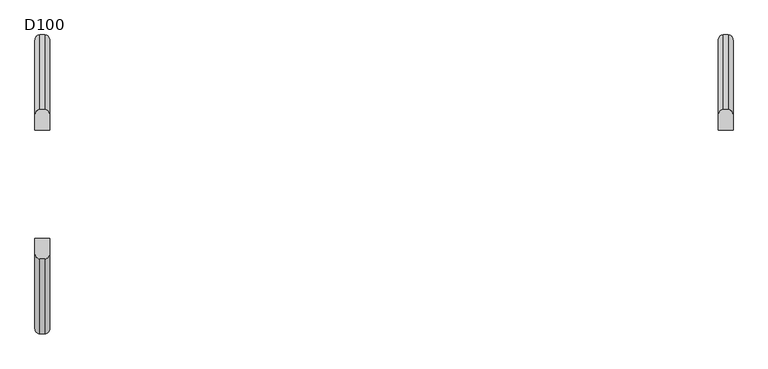
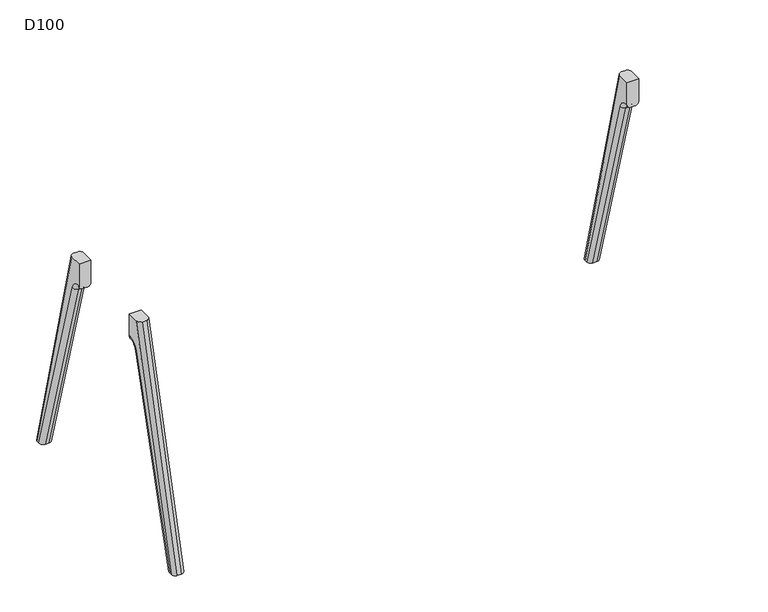
"""IFC4 building model written with IfcOpenShell, lengths in millimetres: furniture geometry, D100."""

from ifc_helpers import new_model, si_unit, point, frame, origin, place, context, project, spatial, polyline, circle_curve, ellipse_curve, trimmed, source, transform, mapped, element, save
from ifc_brep_helpers import plane_surface, cylinder_surface, revolved_surface, advanced_brep


def d100_23ebdb1c(model_context):
    return source(origin(), model_context, "Body", "AdvancedBrep", [
        advanced_brep(
        [(-1070.0, 165.2234902, 880.0006338), (-1070.0, 211.7278851, 880.0006338), (-1070.0, 439.8031746, 0.0), (-1070.0, 429.58813, 0.0), (-1070.0, 211.1253977, 757.7437132), (-1070.0, 166.9256926, 791.0006338), (-1070.0, 165.2234902, 791.0006338), (-1025.0, 211.7278851, 880.0006338), (-1025.0, 165.2234902, 880.0006338), (-1025.0, 165.2234902, 791.0006338), (-1025.0, 166.9256926, 791.0006338), (-1025.0, 211.1253977, 757.7437132), (-1025.0, 429.58813, 0.0), (-1025.0, 439.8031746, 0.0), (-1055.0, 413.9771661, 0.0), (-1040.0, 413.9771661, 0.0), (-1040.0, 196.7124504, 753.5883612), (-1055.0, 196.7124504, 753.5883612), (-1055.0, 455.2987797, 0.0), (-1040.0, 455.2987797, 0.0), (-1055.0, 227.2234902, 880.0006338), (-1040.0, 227.2234902, 880.0006338), (-1055.0, 165.2234902, 776.0006338), (-1040.0, 165.2234902, 776.0006338), (-1055.0, 166.9256926, 776.0006338), (-1040.0, 166.9256926, 776.0006338)],
        [
            (0, 1),
            (1, 2),
            (2, 3),
            (3, 4),
            (4, 5, circle_curve(frame((-1070.0, 166.9256926, 745.0006338), z_axis=(1.0, 0.0, 0.0), x_axis=(0.0, 0.0, 1.0)), 46.0)),
            (5, 6),
            (6, 0),
            (7, 8),
            (8, 9),
            (9, 10),
            (10, 11, circle_curve(frame((-1025.0, 166.9256926, 745.0006338), z_axis=(-1.0, 0.0, 0.0), x_axis=(0.0, 0.0, 1.0)), 46.0)),
            (11, 12),
            (12, 13),
            (13, 7),
            (14, 15),
            (15, 16),
            (16, 17),
            (17, 14),
            (18, 19),
            (19, 13, ellipse_curve(frame((-1040.0, 439.8031746, 0.0), z_axis=(0.0, 0.0, -1.0), x_axis=(0.0, -1.0, 0.0)), 15.4956051, 15.0)),
            (12, 15, ellipse_curve(frame((-1040.0, 429.58813, 0.0), z_axis=(0.0, 0.0, -1.0), x_axis=(0.0, 1.0, 0.0)), 15.6109639, 15.0)),
            (14, 3, ellipse_curve(frame((-1055.0, 429.58813, 0.0), z_axis=(0.0, 0.0, -1.0), x_axis=(0.0, 1.0, 0.0)), 15.6109639, 15.0)),
            (2, 18, ellipse_curve(frame((-1055.0, 439.8031746, 0.0), z_axis=(0.0, 0.0, -1.0), x_axis=(0.0, -1.0, 0.0)), 15.4956051, 15.0)),
            (18, 20),
            (20, 21),
            (21, 19),
            (0, 8),
            (7, 21, ellipse_curve(frame((-1040.0, 211.7278851, 880.0006338), z_axis=(0.0, 0.0, 1.0), x_axis=(0.0, -1.0, 0.0)), 15.4956051, 15.0)),
            (20, 1, ellipse_curve(frame((-1055.0, 211.7278851, 880.0006338), z_axis=(0.0, 0.0, 1.0), x_axis=(0.0, -1.0, 0.0)), 15.4956051, 15.0)),
            (6, 22, circle_curve(frame((-1055.0, 165.2234902, 791.0006338), z_axis=(0.0, -1.0, 0.0), x_axis=(0.0, 0.0, -1.0)), 15.0)),
            (22, 23),
            (23, 9, circle_curve(frame((-1040.0, 165.2234902, 791.0006338), z_axis=(0.0, -1.0, 0.0), x_axis=(0.0, 0.0, -1.0)), 15.0)),
            (22, 24),
            (24, 25),
            (25, 23),
            (24, 17, circle_curve(frame((-1055.0, 166.9256926, 745.0006338), z_axis=(-1.0, 0.0, 0.0), x_axis=(0.0, -1.0, 0.0)), 31.0)),
            (16, 25, circle_curve(frame((-1040.0, 166.9256926, 745.0006338), z_axis=(1.0, 0.0, 0.0), x_axis=(0.0, -1.0, 0.0)), 31.0)),
            (25, 10, circle_curve(frame((-1040.0, 166.9256926, 791.0006338), z_axis=(0.0, -1.0, 0.0), x_axis=(0.0, 0.0, -1.0)), 15.0)),
            (5, 24, circle_curve(frame((-1055.0, 166.9256926, 791.0006338), z_axis=(0.0, -1.0, 0.0), x_axis=(0.0, 0.0, -1.0)), 15.0)),
            (11, 16, circle_curve(frame((-1040.0, 211.1253977, 757.7437132), z_axis=(0.0, 0.277023466136888, -0.9608631532166818), x_axis=(0.0, -0.9608631532166818, -0.277023466136888)), 15.0)),
            (17, 4, circle_curve(frame((-1055.0, 211.1253977, 757.7437132), z_axis=(0.0, 0.277023466136888, -0.9608631532166818), x_axis=(0.0, -0.9608631532166818, -0.277023466136888)), 15.0)),
        ],
        [
            plane_surface(frame((-1070.0, 135.9256926, 745.0006338), z_axis=(-1.0, 0.0, 0.0), x_axis=(0.0, 0.0, -1.0))),
            plane_surface(frame((-1025.0, 135.9256926, 745.0006338), z_axis=(1.0, 0.0, 0.0), x_axis=(0.0, 0.0, 1.0))),
            plane_surface(frame((-1070.0, 413.9771661, 0.0), z_axis=(0.0, -0.9608631532166828, -0.2770234661368848), x_axis=(1.0, 0.0, 0.0))),
            plane_surface(frame((-1070.0, 455.2987797, 0.0), z_axis=(0.0, 0.0, -1.0), x_axis=(1.0, 0.0, 0.0))),
            plane_surface(frame((-1070.0, 227.2234902, 880.0006338), z_axis=(0.0, 0.9680164090089575, 0.25088689062883046), x_axis=(1.0, 0.0, 0.0))),
            plane_surface(frame((-1070.0, 165.2234902, 880.0006338), z_axis=(0.0, 0.0, 1.0), x_axis=(1.0, 0.0, 0.0))),
            plane_surface(frame((-1070.0, 165.2234902, 776.0006338), z_axis=(0.0, -1.0, 0.0), x_axis=(1.0, 0.0, 0.0))),
            plane_surface(frame((-1070.0, 166.9256926, 776.0006338), z_axis=(0.0, 0.0, -1.0), x_axis=(1.0, 0.0, 0.0))),
            revolved_surface(polyline([(-1040.0, 135.9256926, 745.0006338), (-1055.0, 135.9256926, 745.0006338)]), (-1025.0, 166.9256926, 745.0006338), (1.0, 0.0, 0.0)),
            cylinder_surface(frame((-1040.0, 457.7527706, -69.2563225), z_axis=(0.0, -0.25088689062883374, 0.9680164090089567), x_axis=(0.0, 0.9680164090089567, 0.25088689062883374)), 15.0),
            cylinder_surface(frame((-1055.0, 457.7527706, -69.2563225), z_axis=(0.0, -0.25088689062883374, 0.9680164090089567), x_axis=(0.0, 0.9680164090089567, 0.25088689062883374)), 15.0),
            cylinder_surface(frame((-1040.0, -166.9256926, 791.0006338), z_axis=(0.0, 1.0, 0.0), x_axis=(0.0, 0.0, -1.0)), 15.0),
            cylinder_surface(frame((-1055.0, -166.9256926, 791.0006338), z_axis=(0.0, 1.0, 0.0), x_axis=(0.0, 0.0, -1.0)), 15.0),
            cylinder_surface(frame((-1040.0, 211.1253977, 757.7437132), z_axis=(0.0, 0.277023466136888, -0.9608631532166818), x_axis=(0.0, -0.9608631532166818, -0.277023466136888)), 15.0),
            cylinder_surface(frame((-1055.0, 211.1253977, 757.7437132), z_axis=(0.0, 0.277023466136888, -0.9608631532166818), x_axis=(0.0, -0.9608631532166818, -0.277023466136888)), 15.0),
            revolved_surface(trimmed(ellipse_curve(frame((-1040.0, 166.9256926, 791.0006338), z_axis=(0.0, -1.0, 0.0), x_axis=(0.0, 0.0, -1.0)), 15.0, 15.0), [point((-1040.0, 166.9256926, 776.0006338))], [point((-1025.0, 166.9256926, 791.0006338))], True, "CARTESIAN"), (-1807.0, 166.9256926, 745.0006338), (-1.0, 0.0, 0.0)),
            revolved_surface(trimmed(ellipse_curve(frame((-1055.0, 166.9256926, 791.0006338), z_axis=(0.0, -1.0, 0.0), x_axis=(0.0, 0.0, -1.0)), 15.0, 15.0), [point((-1070.0, 166.9256926, 791.0006338))], [point((-1055.0, 166.9256926, 776.0006338))], True, "CARTESIAN"), (-1807.0, 166.9256926, 745.0006338), (-1.0, 0.0, 0.0)),
        ],
        [
            (0, [[1, 2, 3, 4, 5, 6, 7]]),
            (1, [[8, 9, 10, 11, 12, 13, 14]]),
            (2, [[15, 16, 17, 18]]),
            (3, [[19, 20, -13, 21, -15, 22, -3, 23]]),
            (4, [[-19, 24, 25, 26]]),
            (5, [[27, -8, 28, -25, 29, -1]]),
            (6, [[-27, -7, 30, 31, 32, -9]]),
            (7, [[-31, 33, 34, 35]]),
            (8, [[-34, 36, -17, 37]]),
            (9, [[-14, -20, -26, -28]]),
            (10, [[-2, -29, -24, -23]]),
            (11, [[38, -10, -32, -35]]),
            (12, [[39, -33, -30, -6]]),
            (13, [[40, -16, -21, -12]]),
            (14, [[41, -4, -22, -18]]),
            (15, [[-38, -37, -40, -11]]),
            (16, [[-39, -5, -41, -36]]),
        ],
    ),
        advanced_brep(
        [(-3149.0, -211.1253977, 757.7437132), (-3134.0, -196.7124504, 753.5883612), (-3134.0, -413.9771661, 0.0), (-3149.0, -429.58813, 0.0), (-3119.0, -196.7124504, 753.5883612), (-3104.0, -211.1253977, 757.7437132), (-3104.0, -429.58813, 0.0), (-3119.0, -413.9771661, 0.0), (-3134.0, -166.9256926, 776.0006338), (-3149.0, -166.9256926, 791.0006338), (-3149.0, -165.2234902, 791.0006338), (-3134.0, -165.2234902, 776.0006338), (-3104.0, -166.9256926, 791.0006338), (-3119.0, -166.9256926, 776.0006338), (-3119.0, -165.2234902, 776.0006338), (-3104.0, -165.2234902, 791.0006338), (-3104.0, -165.2234902, 880.0006338), (-3104.0, -211.7278851, 880.0006338), (-3104.0, -439.8031746, 0.0), (-3149.0, -165.2234902, 880.0006338), (-3149.0, -439.8031746, 0.0), (-3149.0, -211.7278851, 880.0006338), (-3119.0, -455.2987797, 0.0), (-3134.0, -455.2987797, 0.0), (-3119.0, -227.2234902, 880.0006338), (-3134.0, -227.2234902, 880.0006338)],
        [
            (0, 1, circle_curve(frame((-3134.0, -211.1253977, 757.7437132), z_axis=(0.0, -0.2770234661368847, -0.9608631532166827), x_axis=(0.0, -0.9608631532166827, 0.2770234661368847)), 15.0)),
            (1, 2),
            (2, 3, ellipse_curve(frame((-3134.0, -429.58813, 0.0), z_axis=(0.0, 0.0, 1.0), x_axis=(0.0, 1.0, 0.0)), 15.6109639, 15.0)),
            (3, 0),
            (4, 5, circle_curve(frame((-3119.0, -211.1253977, 757.7437132), z_axis=(0.0, -0.2770234661368847, -0.9608631532166827), x_axis=(0.0, -0.9608631532166827, 0.2770234661368847)), 15.0)),
            (5, 6),
            (6, 7, ellipse_curve(frame((-3119.0, -429.58813, 0.0), z_axis=(0.0, 0.0, 1.0), x_axis=(0.0, 1.0, 0.0)), 15.6109639, 15.0)),
            (7, 4),
            (8, 9, circle_curve(frame((-3134.0, -166.9256926, 791.0006338), z_axis=(0.0, 1.0, 0.0), x_axis=(0.0, 0.0, 1.0)), 15.0)),
            (9, 10),
            (10, 11, circle_curve(frame((-3134.0, -165.2234902, 791.0006338), z_axis=(0.0, -1.0, 0.0), x_axis=(0.0, 0.0, 1.0)), 15.0)),
            (11, 8),
            (12, 13, circle_curve(frame((-3119.0, -166.9256926, 791.0006338), z_axis=(0.0, 1.0, 0.0), x_axis=(0.0, 0.0, 1.0)), 15.0)),
            (13, 14),
            (14, 15, circle_curve(frame((-3119.0, -165.2234902, 791.0006338), z_axis=(0.0, -1.0, 0.0), x_axis=(0.0, 0.0, 1.0)), 15.0)),
            (15, 12),
            (0, 9, circle_curve(frame((-3149.0, -166.9256926, 745.0006338), z_axis=(-1.0, 0.0, 0.0), x_axis=(0.0, -0.9608631532166849, 0.2770234661368772)), 46.0)),
            (8, 1, circle_curve(frame((-3134.0, -166.9256926, 745.0006338), z_axis=(1.0, 0.0, 0.0), x_axis=(0.0, -0.9608631532166849, 0.2770234661368772)), 31.0)),
            (4, 13, circle_curve(frame((-3119.0, -166.9256926, 745.0006338), z_axis=(-1.0, 0.0, 0.0), x_axis=(0.0, -0.9608631532166849, 0.2770234661368772)), 31.0)),
            (12, 5, circle_curve(frame((-3104.0, -166.9256926, 745.0006338), z_axis=(1.0, 0.0, 0.0), x_axis=(0.0, -0.9608631532166849, 0.2770234661368772)), 46.0)),
            (15, 16),
            (16, 17),
            (17, 18),
            (18, 6),
            (19, 10),
            (3, 20),
            (20, 21),
            (21, 19),
            (7, 2),
            (1, 4),
            (18, 22, ellipse_curve(frame((-3119.0, -439.8031746, 0.0), z_axis=(0.0, 0.0, -1.0), x_axis=(0.0, 1.0, 0.0)), 15.4956051, 15.0)),
            (22, 23),
            (23, 20, ellipse_curve(frame((-3134.0, -439.8031746, 0.0), z_axis=(0.0, 0.0, -1.0), x_axis=(0.0, 1.0, 0.0)), 15.4956051, 15.0)),
            (22, 24),
            (24, 25),
            (25, 23),
            (16, 19),
            (21, 25, ellipse_curve(frame((-3134.0, -211.7278851, 880.0006338), z_axis=(0.0, 0.0, 1.0), x_axis=(0.0, 1.0, 0.0)), 15.4956051, 15.0)),
            (24, 17, ellipse_curve(frame((-3119.0, -211.7278851, 880.0006338), z_axis=(0.0, 0.0, 1.0), x_axis=(0.0, 1.0, 0.0)), 15.4956051, 15.0)),
            (14, 11),
            (13, 8),
        ],
        [
            cylinder_surface(frame((-3134.0, -448.1062889, -64.2307193), z_axis=(0.0, 0.2770234661368847, 0.9608631532166827), x_axis=(0.0, -0.9608631532166827, 0.2770234661368847)), 15.0),
            cylinder_surface(frame((-3119.0, -448.1062889, -64.2307193), z_axis=(0.0, 0.2770234661368847, 0.9608631532166827), x_axis=(0.0, -0.9608631532166827, 0.2770234661368847)), 15.0),
            cylinder_surface(frame((-3134.0, -166.9256926, 791.0006338), z_axis=(0.0, 1.0, 0.0), x_axis=(0.0, 0.0, 1.0)), 15.0),
            cylinder_surface(frame((-3119.0, -166.9256926, 791.0006338), z_axis=(0.0, 1.0, 0.0), x_axis=(0.0, 0.0, 1.0)), 15.0),
            revolved_surface(trimmed(ellipse_curve(frame((-3134.0, -211.1253977, 757.7437132), z_axis=(0.0, -0.27702346613687723, -0.9608631532166849), x_axis=(0.0, -0.9608631532166849, 0.27702346613687723)), 15.0, 15.0), [point((-3149.0, -211.1253977, 757.7437132))], [point((-3134.0, -196.7124504, 753.5883612))], True, "CARTESIAN"), (-2367.0, -166.9256926, 745.0006338), (-1.0, 0.0, 0.0)),
            revolved_surface(trimmed(ellipse_curve(frame((-3119.0, -211.1253977, 757.7437132), z_axis=(0.0, -0.27702346613687723, -0.9608631532166849), x_axis=(0.0, -0.9608631532166849, 0.27702346613687723)), 15.0, 15.0), [point((-3119.0, -196.7124504, 753.5883612))], [point((-3104.0, -211.1253977, 757.7437132))], True, "CARTESIAN"), (-2367.0, -166.9256926, 745.0006338), (-1.0, 0.0, 0.0)),
            plane_surface(frame((-3104.0, -135.9256926, 745.0006338), z_axis=(1.0, 0.0, 0.0), x_axis=(0.0, 0.0, -1.0))),
            plane_surface(frame((-3149.0, -135.9256926, 745.0006338), z_axis=(-1.0, 0.0, 0.0), x_axis=(0.0, 0.0, 1.0))),
            plane_surface(frame((-3104.0, -413.9771661, 0.0), z_axis=(0.0, 0.9608631532166828, -0.2770234661368848), x_axis=(-1.0, 0.0, 0.0))),
            plane_surface(frame((-3104.0, -455.2987797, 0.0), z_axis=(0.0, 0.0, -1.0), x_axis=(-1.0, 0.0, 0.0))),
            plane_surface(frame((-3104.0, -227.2234902, 880.0006338), z_axis=(0.0, -0.9680164090089575, 0.25088689062883046), x_axis=(-1.0, 0.0, 0.0))),
            plane_surface(frame((-3104.0, -165.2234902, 880.0006338), z_axis=(0.0, 0.0, 1.0), x_axis=(-1.0, 0.0, 0.0))),
            plane_surface(frame((-3104.0, -165.2234902, 776.0006338), z_axis=(0.0, 1.0, 0.0), x_axis=(-1.0, 0.0, 0.0))),
            plane_surface(frame((-3104.0, -166.9256926, 776.0006338), z_axis=(0.0, 0.0, -1.0), x_axis=(-1.0, 0.0, 0.0))),
            revolved_surface(polyline([(-3134.0, -135.9256926, 745.0006338), (-3119.0, -135.9256926, 745.0006338)]), (-3149.0, -166.9256926, 745.0006338), (-1.0, 0.0, 0.0)),
            cylinder_surface(frame((-3134.0, -457.7527706, -69.2563225), z_axis=(0.0, 0.25088689062883374, 0.9680164090089567), x_axis=(0.0, -0.9680164090089567, 0.25088689062883374)), 15.0),
            cylinder_surface(frame((-3119.0, -457.7527706, -69.2563225), z_axis=(0.0, 0.25088689062883374, 0.9680164090089567), x_axis=(0.0, -0.9680164090089567, 0.25088689062883374)), 15.0),
        ],
        [
            (0, [[1, 2, 3, 4]]),
            (1, [[5, 6, 7, 8]]),
            (2, [[9, 10, 11, 12]]),
            (3, [[13, 14, 15, 16]]),
            (4, [[-1, 17, -9, 18]]),
            (5, [[-5, 19, -13, 20]]),
            (6, [[21, 22, 23, 24, -6, -20, -16]]),
            (7, [[25, -10, -17, -4, 26, 27, 28]]),
            (8, [[29, -2, 30, -8]]),
            (9, [[-29, -7, -24, 31, 32, 33, -26, -3]]),
            (10, [[-32, 34, 35, 36]]),
            (11, [[37, -28, 38, -35, 39, -22]]),
            (12, [[-37, -21, -15, 40, -11, -25]]),
            (13, [[-40, -14, 41, -12]]),
            (14, [[-41, -19, -30, -18]]),
            (15, [[-27, -33, -36, -38]]),
            (16, [[-23, -39, -34, -31]]),
        ],
    ),
        advanced_brep(
        [(-3149.0, 166.9256926, 791.0006338), (-3134.0, 166.9256926, 776.0006338), (-3134.0, 165.2234902, 776.0006338), (-3149.0, 165.2234902, 791.0006338), (-3119.0, 166.9256926, 776.0006338), (-3104.0, 166.9256926, 791.0006338), (-3104.0, 165.2234902, 791.0006338), (-3119.0, 165.2234902, 776.0006338), (-3134.0, 196.7124504, 753.5883612), (-3149.0, 211.1253977, 757.7437132), (-3149.0, 429.58813, 0.0), (-3134.0, 413.9771661, 0.0), (-3104.0, 211.1253977, 757.7437132), (-3119.0, 196.7124504, 753.5883612), (-3119.0, 413.9771661, 0.0), (-3104.0, 429.58813, 0.0), (-3104.0, 165.2234902, 880.0006338), (-3104.0, 439.8031746, 0.0), (-3104.0, 211.7278851, 880.0006338), (-3149.0, 165.2234902, 880.0006338), (-3149.0, 211.7278851, 880.0006338), (-3149.0, 439.8031746, 0.0), (-3134.0, 455.2987797, 0.0), (-3119.0, 455.2987797, 0.0), (-3134.0, 227.2234902, 880.0006338), (-3119.0, 227.2234902, 880.0006338)],
        [
            (0, 1, circle_curve(frame((-3134.0, 166.9256926, 791.0006338), z_axis=(0.0, -1.0, 0.0), x_axis=(0.0, 0.0, 1.0)), 15.0)),
            (1, 2),
            (2, 3, circle_curve(frame((-3134.0, 165.2234902, 791.0006338), z_axis=(0.0, 1.0, 0.0), x_axis=(0.0, 0.0, 1.0)), 15.0)),
            (3, 0),
            (4, 5, circle_curve(frame((-3119.0, 166.9256926, 791.0006338), z_axis=(0.0, -1.0, 0.0), x_axis=(0.0, 0.0, 1.0)), 15.0)),
            (5, 6),
            (6, 7, circle_curve(frame((-3119.0, 165.2234902, 791.0006338), z_axis=(0.0, 1.0, 0.0), x_axis=(0.0, 0.0, 1.0)), 15.0)),
            (7, 4),
            (8, 9, circle_curve(frame((-3134.0, 211.1253977, 757.7437132), z_axis=(0.0, 0.277023466136888, -0.9608631532166818), x_axis=(0.0, 0.9608631532166818, 0.277023466136888)), 15.0)),
            (9, 10),
            (10, 11, ellipse_curve(frame((-3134.0, 429.58813, 0.0), z_axis=(0.0, 0.0, 1.0), x_axis=(0.0, 1.0, 0.0)), 15.6109639, 15.0)),
            (11, 8),
            (12, 13, circle_curve(frame((-3119.0, 211.1253977, 757.7437132), z_axis=(0.0, 0.277023466136888, -0.9608631532166818), x_axis=(0.0, 0.9608631532166818, 0.277023466136888)), 15.0)),
            (13, 14),
            (14, 15, ellipse_curve(frame((-3119.0, 429.58813, 0.0), z_axis=(0.0, 0.0, 1.0), x_axis=(0.0, 1.0, 0.0)), 15.6109639, 15.0)),
            (15, 12),
            (0, 9, circle_curve(frame((-3149.0, 166.9256926, 745.0006338), z_axis=(-1.0, 0.0, 0.0), x_axis=(0.0, 0.0, 1.0)), 46.0)),
            (8, 1, circle_curve(frame((-3134.0, 166.9256926, 745.0006338), z_axis=(1.0, 0.0, 0.0), x_axis=(0.0, 0.0, 1.0)), 31.0)),
            (4, 13, circle_curve(frame((-3119.0, 166.9256926, 745.0006338), z_axis=(-1.0, 0.0, 0.0), x_axis=(0.0, 0.0, 1.0)), 31.0)),
            (12, 5, circle_curve(frame((-3104.0, 166.9256926, 745.0006338), z_axis=(1.0, 0.0, 0.0), x_axis=(0.0, 0.0, 1.0)), 46.0)),
            (16, 6),
            (15, 17),
            (17, 18),
            (18, 16),
            (3, 19),
            (19, 20),
            (20, 21),
            (21, 10),
            (13, 8),
            (11, 14),
            (21, 22, ellipse_curve(frame((-3134.0, 439.8031746, 0.0), z_axis=(0.0, 0.0, -1.0), x_axis=(0.0, -1.0, 0.0)), 15.4956051, 15.0)),
            (22, 23),
            (23, 17, ellipse_curve(frame((-3119.0, 439.8031746, 0.0), z_axis=(0.0, 0.0, -1.0), x_axis=(0.0, -1.0, 0.0)), 15.4956051, 15.0)),
            (22, 24),
            (24, 25),
            (25, 23),
            (19, 16),
            (18, 25, ellipse_curve(frame((-3119.0, 211.7278851, 880.0006338), z_axis=(0.0, 0.0, 1.0), x_axis=(0.0, -1.0, 0.0)), 15.4956051, 15.0)),
            (24, 20, ellipse_curve(frame((-3134.0, 211.7278851, 880.0006338), z_axis=(0.0, 0.0, 1.0), x_axis=(0.0, -1.0, 0.0)), 15.4956051, 15.0)),
            (2, 7),
            (1, 4),
        ],
        [
            cylinder_surface(frame((-3134.0, -166.9256926, 791.0006338), z_axis=(0.0, 1.0, 0.0), x_axis=(0.0, 0.0, 1.0)), 15.0),
            cylinder_surface(frame((-3119.0, -166.9256926, 791.0006338), z_axis=(0.0, 1.0, 0.0), x_axis=(0.0, 0.0, 1.0)), 15.0),
            cylinder_surface(frame((-3134.0, 211.1253977, 757.7437132), z_axis=(0.0, 0.277023466136888, -0.9608631532166818), x_axis=(0.0, 0.9608631532166818, 0.277023466136888)), 15.0),
            cylinder_surface(frame((-3119.0, 211.1253977, 757.7437132), z_axis=(0.0, 0.277023466136888, -0.9608631532166818), x_axis=(0.0, 0.9608631532166818, 0.277023466136888)), 15.0),
            revolved_surface(trimmed(ellipse_curve(frame((-3134.0, 166.9256926, 791.0006338), z_axis=(0.0, -1.0, 0.0), x_axis=(0.0, 0.0, 1.0)), 15.0, 15.0), [point((-3149.0, 166.9256926, 791.0006338))], [point((-3134.0, 166.9256926, 776.0006338))], True, "CARTESIAN"), (-2367.0, 166.9256926, 745.0006338), (-1.0, 0.0, 0.0)),
            revolved_surface(trimmed(ellipse_curve(frame((-3119.0, 166.9256926, 791.0006338), z_axis=(0.0, -1.0, 0.0), x_axis=(0.0, 0.0, 1.0)), 15.0, 15.0), [point((-3119.0, 166.9256926, 776.0006338))], [point((-3104.0, 166.9256926, 791.0006338))], True, "CARTESIAN"), (-2367.0, 166.9256926, 745.0006338), (-1.0, 0.0, 0.0)),
            plane_surface(frame((-3104.0, 413.4231192, 1.9217263), z_axis=(1.0000000000000002, 0.0, 0.0), x_axis=(0.0, 0.2770234661368848, -0.9608631532166828))),
            plane_surface(frame((-3149.0, 413.4231192, 1.9217263), z_axis=(-1.0000000000000002, 0.0, 0.0), x_axis=(0.0, -0.2770234661368848, 0.9608631532166828))),
            plane_surface(frame((-3104.0, 196.7124504, 753.5883612), z_axis=(0.0, -0.9608631532166828, -0.2770234661368848), x_axis=(-1.0, 0.0, 0.0))),
            plane_surface(frame((-3104.0, 413.9771661, 0.0), z_axis=(0.0, 0.0, -1.0), x_axis=(-1.0, 0.0, 0.0))),
            plane_surface(frame((-3104.0, 455.2987797, 0.0), z_axis=(0.0, 0.9680164090089575, 0.2508868906288305), x_axis=(-1.0, 0.0, 0.0))),
            plane_surface(frame((-3104.0, 227.2234902, 880.0006338), z_axis=(0.0, 0.0, 1.0), x_axis=(-1.0, 0.0, 0.0))),
            plane_surface(frame((-3104.0, 165.2234902, 880.0006338), z_axis=(0.0, -1.0, 0.0), x_axis=(-1.0, 0.0, 0.0))),
            plane_surface(frame((-3104.0, 165.2234902, 776.0006338), z_axis=(0.0, 0.0, -1.0), x_axis=(-1.0, 0.0, 0.0))),
            revolved_surface(polyline([(-3134.0, 135.9256926, 745.0006338), (-3119.0, 135.9256926, 745.0006338)]), (-3149.0, 166.9256926, 745.0006338), (-1.0, 0.0, 0.0)),
            cylinder_surface(frame((-3134.0, 457.7527706, -69.2563225), z_axis=(0.0, -0.25088689062883374, 0.9680164090089567), x_axis=(0.0, -0.9680164090089567, -0.25088689062883374)), 15.0),
            cylinder_surface(frame((-3119.0, 457.7527706, -69.2563225), z_axis=(0.0, -0.25088689062883374, 0.9680164090089567), x_axis=(0.0, -0.9680164090089567, -0.25088689062883374)), 15.0),
        ],
        [
            (0, [[1, 2, 3, 4]]),
            (1, [[5, 6, 7, 8]]),
            (2, [[9, 10, 11, 12]]),
            (3, [[13, 14, 15, 16]]),
            (4, [[-1, 17, -9, 18]]),
            (5, [[-5, 19, -13, 20]]),
            (6, [[21, -6, -20, -16, 22, 23, 24]]),
            (7, [[25, 26, 27, 28, -10, -17, -4]]),
            (8, [[29, -12, 30, -14]]),
            (9, [[-30, -11, -28, 31, 32, 33, -22, -15]]),
            (10, [[-32, 34, 35, 36]]),
            (11, [[37, -24, 38, -35, 39, -26]]),
            (12, [[-37, -25, -3, 40, -7, -21]]),
            (13, [[-40, -2, 41, -8]]),
            (14, [[-29, -19, -41, -18]]),
            (15, [[-27, -39, -34, -31]]),
            (16, [[-23, -33, -36, -38]]),
        ],
    ),
    ])


if __name__ == "__main__":
    model = new_model("IFC4")
    model_context = context("Model", 3, world=origin())
    ifc_project = project(units=[si_unit("LENGTHUNIT", "METRE", prefix="MILLI")], contexts=[model_context])
    site = spatial("IfcSite", under=ifc_project)
    building = spatial("IfcBuilding", under=site)
    placement = place(None, origin())
    d100_shape = d100_23ebdb1c(model_context)
    element("IfcFurniture", 1, ObjectType="D100", at=placement, inside=building, context=model_context, shape_type="MappedRepresentation", body=[
        mapped(d100_shape, transform((0.0, 0.0, 0.0), x_axis=(1.0, 0.0, 0.0), y_axis=(0.0, 1.0, 0.0), z_axis=(0.0, 0.0, 1.0))),
    ])
    save(model, "model.ifc")
